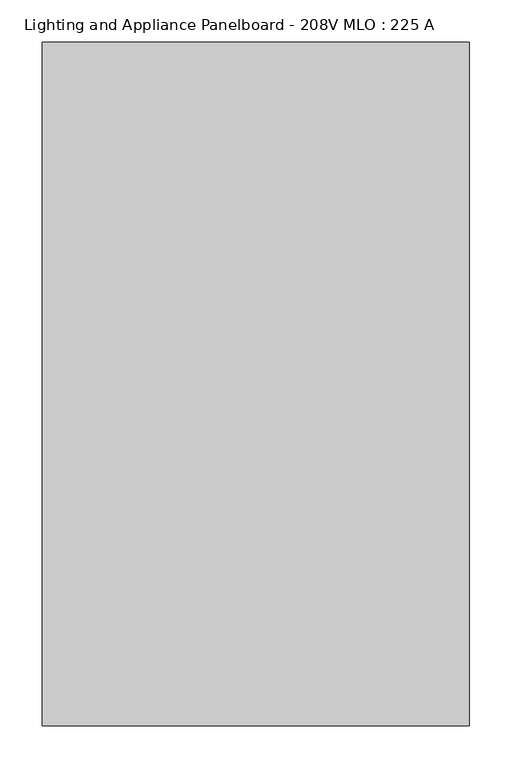
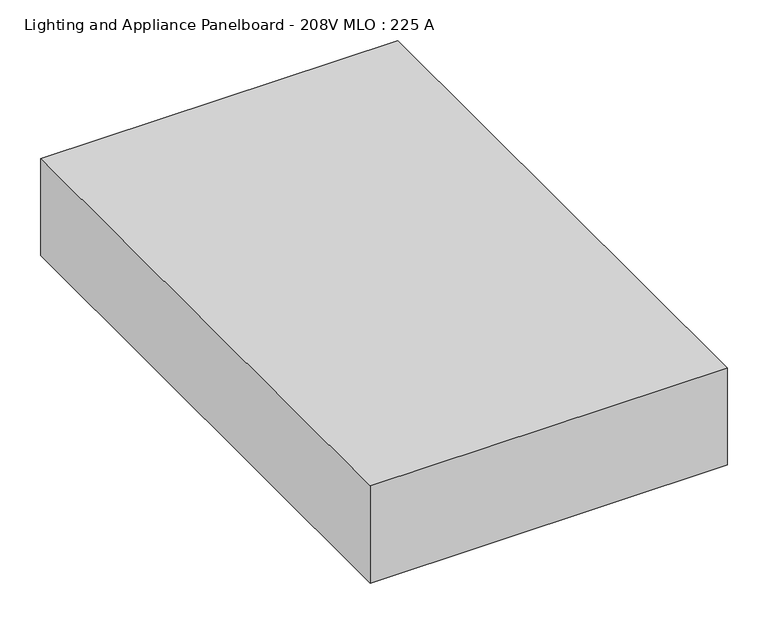
"""IFC4 building model written with IfcOpenShell, lengths in millimetres: proxy geometry, Lighting and Appliance Panelboard - 208V MLO : 225 A."""

import ifcopenshell
import ifcopenshell.guid

model = None  # the IFC model being written
_history = None  # IfcOwnerHistory: only IFC2X3 demands one
_inside = {}  # id of a spatial element -> (the spatial element, [elements in it])
_under = {}  # id of a project, library or spatial element -> (it, [spatial elements below it])
_declared = {}  # id of a project -> (the project, [libraries it declares])
_typed = {}  # id of a type object -> (the type object, [elements of that type])
_made_of = {}  # id of a material, layer set ... -> (it, [elements and type objects made of it])


def new_model(schema):
    """Start an empty IFC model of exactly this schema.

    Asked for "IFC4X3", IfcOpenShell would pick the latest addendum, in which some entities
    have other attributes; the version numbers below select the first issue.
    IFC2X3 requires an IfcOwnerHistory on every rooted entity: one is made here for all.
    """
    global model, _history
    if schema == "IFC4X3":
        model = ifcopenshell.file(schema_version=(4, 3, 0, 0))
    else:
        model = ifcopenshell.file(schema=schema)
    _inside.clear()
    _under.clear()
    _declared.clear()
    _typed.clear()
    _made_of.clear()
    _history = None
    if model.schema == "IFC2X3":
        org = make("IfcOrganization", Name="unknown")
        user = make(
            "IfcPersonAndOrganization",
            ThePerson=make("IfcPerson", FamilyName="unknown"),
            TheOrganization=org,
        )
        app = make(
            "IfcApplication",
            ApplicationDeveloper=org,
            Version="unknown",
            ApplicationFullName="unknown",
            ApplicationIdentifier="unknown",
        )
        _history = make(
            "IfcOwnerHistory",
            OwningUser=user,
            OwningApplication=app,
            ChangeAction="ADDED",
            CreationDate=0,
        )
    return model


def make(cls, **values):
    """One entity of the class cls with the attributes given. An attribute that is None is left unset."""
    return model.create_entity(
        cls, **{name: value for name, value in values.items() if value is not None}
    )


def rooted(cls, **values):
    """An entity with a GlobalId (a new one), such as an element, a storey or a relation."""
    return make(cls, GlobalId=ifcopenshell.guid.new(), OwnerHistory=_history, **values)


def si_unit(unit_type, name, prefix=None):
    """IfcSIUnit, for example si_unit("LENGTHUNIT", "METRE", prefix="MILLI")."""
    return make("IfcSIUnit", UnitType=unit_type, Prefix=prefix, Name=name)


def assignment(units):
    """IfcUnitAssignment: the units of a project."""
    return None if units is None else make("IfcUnitAssignment", Units=units)


def point(xyz):
    """IfcCartesianPoint."""
    return None if xyz is None else make("IfcCartesianPoint", Coordinates=xyz)


def direction(xyz):
    """IfcDirection."""
    return None if xyz is None else make("IfcDirection", DirectionRatios=xyz)


def frame(location, z_axis=None, x_axis=None):
    """IfcAxis2Placement3D, a coordinate frame: its origin and axes. An axis left out is left unset."""
    return make(
        "IfcAxis2Placement3D",
        Location=point(location),
        Axis=direction(z_axis),
        RefDirection=direction(x_axis),
    )


def origin():
    """The frame at (0, 0, 0) with its axes left unset."""
    return frame((0.0, 0.0, 0.0))


def place(relative_to, where):
    """IfcLocalPlacement: puts the frame where relative to a parent placement (None: the world)."""
    return make(
        "IfcLocalPlacement", PlacementRelTo=relative_to, RelativePlacement=where
    )


def context(
    kind, dimensions, precision=None, world=None, true_north=None, identifier=None
):
    """IfcGeometricRepresentationContext, for example the 3D "Model" context."""
    return make(
        "IfcGeometricRepresentationContext",
        ContextIdentifier=identifier,
        ContextType=kind,
        CoordinateSpaceDimension=dimensions,
        Precision=precision,
        WorldCoordinateSystem=world,
        TrueNorth=true_north,
    )


def project(units=None, contexts=None):
    """IfcProject with its units and contexts."""
    return rooted(
        "IfcProject",
        Name="project",
        RepresentationContexts=contexts,
        UnitsInContext=assignment(units),
    )


def spatial(cls, under=None, at=None, **own):
    """A site, building, storey or space (cls), placed at a placement, below another one or the project."""
    s = rooted(cls, ObjectPlacement=at, **own)
    if under is not None:
        _under.setdefault(under.id(), (under, []))[1].append(s)
    return s


def polyline(points):
    """IfcPolyline through the points."""
    return make("IfcPolyline", Points=[point(p) for p in points])


def outline(outer, holes=None, kind="AREA"):
    """IfcArbitraryClosedProfileDef: a profile drawn as a closed curve; with holes, ...WithVoids."""
    if holes is None:
        return make("IfcArbitraryClosedProfileDef", ProfileType=kind, OuterCurve=outer)
    return make(
        "IfcArbitraryProfileDefWithVoids",
        ProfileType=kind,
        OuterCurve=outer,
        InnerCurves=holes,
    )


def extrude(swept, where, along, depth):
    """IfcExtrudedAreaSolid: the profile swept, set in the frame where, extruded along a direction by depth."""
    return make(
        "IfcExtrudedAreaSolid",
        SweptArea=swept,
        Position=where,
        ExtrudedDirection=direction(along),
        Depth=depth,
    )


def shape(context_of_items, identifier, shape_type, items):
    """IfcShapeRepresentation: the items that make up one representation, for example the "Body"."""
    return make(
        "IfcShapeRepresentation",
        ContextOfItems=context_of_items,
        RepresentationIdentifier=identifier,
        RepresentationType=shape_type,
        Items=items,
    )


def source(mapping_origin, context_of_items, identifier, shape_type, items):
    """IfcRepresentationMap: a shape defined once, which mapped items show again and again."""
    return make(
        "IfcRepresentationMap",
        MappingOrigin=mapping_origin,
        MappedRepresentation=shape(context_of_items, identifier, shape_type, items),
    )


def transform(
    local_origin,
    x_axis=None,
    y_axis=None,
    z_axis=None,
    scale=None,
    scale2=None,
    scale3=None,
    uniform=True,
):
    """IfcCartesianTransformationOperator3D, or its non-uniform kind. x_axis, y_axis, z_axis: its Axis1, 2, 3."""
    if uniform:
        return make(
            "IfcCartesianTransformationOperator3D",
            Axis1=direction(x_axis),
            Axis2=direction(y_axis),
            LocalOrigin=point(local_origin),
            Scale=scale,
            Axis3=direction(z_axis),
        )
    return make(
        "IfcCartesianTransformationOperator3DnonUniform",
        Axis1=direction(x_axis),
        Axis2=direction(y_axis),
        LocalOrigin=point(local_origin),
        Scale=scale,
        Axis3=direction(z_axis),
        Scale2=scale2,
        Scale3=scale3,
    )


def mapped(mapping_source, mapping_target):
    """IfcMappedItem: shows the shape of a source again, moved by a transform."""
    return make(
        "IfcMappedItem", MappingSource=mapping_source, MappingTarget=mapping_target
    )


def made_of(thing, what):
    """Note that an element or type object is made of a material, layer set ...; save() writes the relation."""
    if what is not None:
        _made_of.setdefault(what.id(), (what, []))[1].append(thing)
    return thing


def element(
    cls,
    number,
    at=None,
    inside=None,
    cuts=None,
    type_object=None,
    material=None,
    context=None,
    identifier="Body",
    shape_type=None,
    held_by="IfcProductDefinitionShape",
    body=None,
    shapes=None,
    **own,
):
    """One element of the class cls, such as IfcWall. Its Tag is "e" and its number.

    at: its placement. inside: the storey or other place that contains it. cuts: it is an
    opening in that element (IfcRelVoidsElement). A single representation is given by context,
    identifier, shape_type and body (its items); several are given by shapes. held_by: the class
    of the entity that holds the representations. save() writes the other relations.
    """
    e = rooted(cls, Tag="e%d" % number, ObjectPlacement=at, **own)
    if body is not None:
        shapes = [shape(context, identifier, shape_type, body)]
    if shapes is not None:
        e.Representation = make(held_by, Representations=shapes)
    if inside is not None:
        _inside.setdefault(inside.id(), (inside, []))[1].append(e)
    if cuts is not None:
        rooted(
            "IfcRelVoidsElement", RelatingBuildingElement=cuts, RelatedOpeningElement=e
        )
    if type_object is not None:
        _typed.setdefault(type_object.id(), (type_object, []))[1].append(e)
    return made_of(e, material)


def aggregate(whole, parts):
    """IfcRelAggregates: a whole, such as a stair, and the parts it consists of."""
    return rooted("IfcRelAggregates", RelatingObject=whole, RelatedObjects=parts)


def save(model, path):
    """Write the relations noted so far, then the file.

    IfcRelAggregates (storeys below a building ...), IfcRelContainedInSpatialStructure (elements
    in a storey), IfcRelDefinesByType, IfcRelAssociatesMaterial and IfcRelDeclares: one each for
    every whole, place, type object, material and project.
    """
    for whole, parts in _under.values():
        aggregate(whole, parts)
    for where, things in _inside.values():
        rooted(
            "IfcRelContainedInSpatialStructure",
            RelatedElements=things,
            RelatingStructure=where,
        )
    for kind, things in _typed.values():
        rooted("IfcRelDefinesByType", RelatedObjects=things, RelatingType=kind)
    for what, things in _made_of.values():
        rooted("IfcRelAssociatesMaterial", RelatedObjects=things, RelatingMaterial=what)
    for by, libraries in _declared.values():
        rooted("IfcRelDeclares", RelatingContext=by, RelatedDefinitions=libraries)
    model.write(path)


def lighting_and_appliance_panelboard_208v_mlo_225_a_45642533(model_context):
    return source(origin(), model_context, "Body", "SweptSolid", [
        extrude(outline(polyline([(254.0, 406.4), (254.0, -406.4), (-254.0, -406.4), (-254.0, 406.4), (254.0, 406.4)])), frame((0.0, 0.0, -146.05), z_axis=(0.0, 0.0, 1.0), x_axis=(1.0, 0.0, 0.0)), (0.0, 0.0, 1.0), 146.05),
    ])


if __name__ == "__main__":
    model = new_model("IFC4")
    model_context = context("Model", 3, world=origin())
    ifc_project = project(units=[si_unit("LENGTHUNIT", "METRE", prefix="MILLI")], contexts=[model_context])
    site = spatial("IfcSite", under=ifc_project)
    building = spatial("IfcBuilding", under=site)
    placement = place(None, origin())
    lighting_and_appliance_panelboard_208v_mlo_225_a_shape = lighting_and_appliance_panelboard_208v_mlo_225_a_45642533(model_context)
    element("IfcBuildingElementProxy", 1, Name="Lighting and Appliance Panelboard - 208V MLO : 225 A", ObjectType="Lighting and Appliance Panelboard - 208V MLO : 225 A", at=placement, inside=building, context=model_context, shape_type="MappedRepresentation", body=[
        mapped(lighting_and_appliance_panelboard_208v_mlo_225_a_shape, transform((0.0, 0.0, 0.0), x_axis=(1.0, 0.0, 0.0), y_axis=(0.0, 1.0, 0.0), z_axis=(0.0, 0.0, 1.0))),
    ])
    save(model, "model.ifc")
